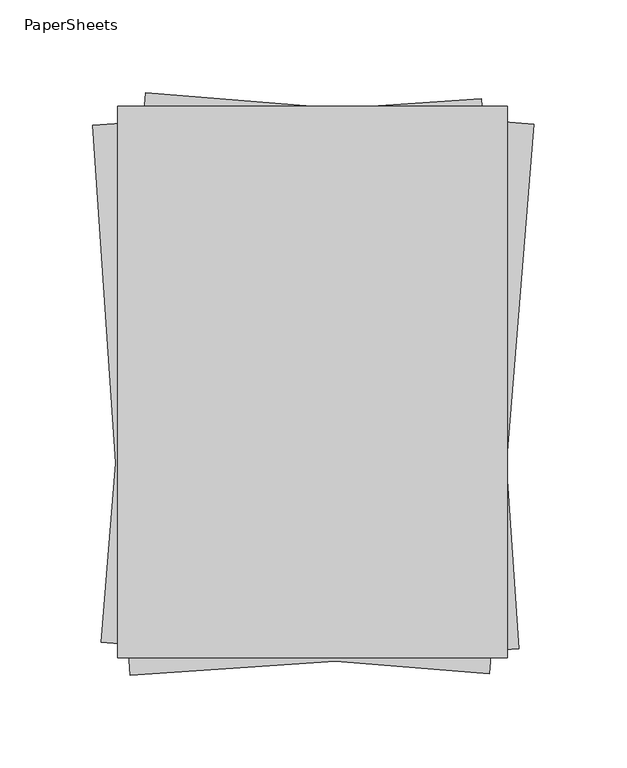
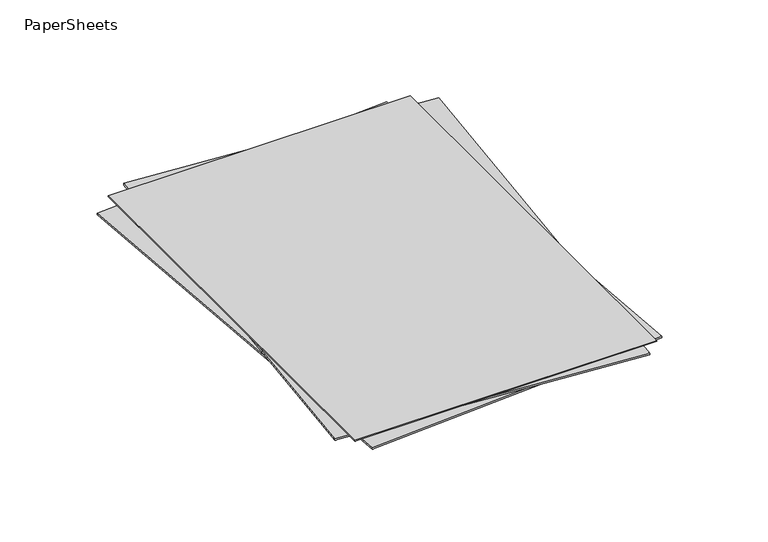
"""IFC4 building model written with IfcOpenShell, lengths in millimetres: furniture geometry, PaperSheets."""

import ifcopenshell
import ifcopenshell.guid

model = None  # the IFC model being written
_history = None  # IfcOwnerHistory: only IFC2X3 demands one
_inside = {}  # id of a spatial element -> (the spatial element, [elements in it])
_under = {}  # id of a project, library or spatial element -> (it, [spatial elements below it])
_declared = {}  # id of a project -> (the project, [libraries it declares])
_typed = {}  # id of a type object -> (the type object, [elements of that type])
_made_of = {}  # id of a material, layer set ... -> (it, [elements and type objects made of it])


def new_model(schema):
    """Start an empty IFC model of exactly this schema.

    Asked for "IFC4X3", IfcOpenShell would pick the latest addendum, in which some entities
    have other attributes; the version numbers below select the first issue.
    IFC2X3 requires an IfcOwnerHistory on every rooted entity: one is made here for all.
    """
    global model, _history
    if schema == "IFC4X3":
        model = ifcopenshell.file(schema_version=(4, 3, 0, 0))
    else:
        model = ifcopenshell.file(schema=schema)
    _inside.clear()
    _under.clear()
    _declared.clear()
    _typed.clear()
    _made_of.clear()
    _history = None
    if model.schema == "IFC2X3":
        org = make("IfcOrganization", Name="unknown")
        user = make(
            "IfcPersonAndOrganization",
            ThePerson=make("IfcPerson", FamilyName="unknown"),
            TheOrganization=org,
        )
        app = make(
            "IfcApplication",
            ApplicationDeveloper=org,
            Version="unknown",
            ApplicationFullName="unknown",
            ApplicationIdentifier="unknown",
        )
        _history = make(
            "IfcOwnerHistory",
            OwningUser=user,
            OwningApplication=app,
            ChangeAction="ADDED",
            CreationDate=0,
        )
    return model


def make(cls, **values):
    """One entity of the class cls with the attributes given. An attribute that is None is left unset."""
    return model.create_entity(
        cls, **{name: value for name, value in values.items() if value is not None}
    )


def rooted(cls, **values):
    """An entity with a GlobalId (a new one), such as an element, a storey or a relation."""
    return make(cls, GlobalId=ifcopenshell.guid.new(), OwnerHistory=_history, **values)


def si_unit(unit_type, name, prefix=None):
    """IfcSIUnit, for example si_unit("LENGTHUNIT", "METRE", prefix="MILLI")."""
    return make("IfcSIUnit", UnitType=unit_type, Prefix=prefix, Name=name)


def assignment(units):
    """IfcUnitAssignment: the units of a project."""
    return None if units is None else make("IfcUnitAssignment", Units=units)


def point(xyz):
    """IfcCartesianPoint."""
    return None if xyz is None else make("IfcCartesianPoint", Coordinates=xyz)


def direction(xyz):
    """IfcDirection."""
    return None if xyz is None else make("IfcDirection", DirectionRatios=xyz)


def frame(location, z_axis=None, x_axis=None):
    """IfcAxis2Placement3D, a coordinate frame: its origin and axes. An axis left out is left unset."""
    return make(
        "IfcAxis2Placement3D",
        Location=point(location),
        Axis=direction(z_axis),
        RefDirection=direction(x_axis),
    )


def origin():
    """The frame at (0, 0, 0) with its axes left unset."""
    return frame((0.0, 0.0, 0.0))


def place(relative_to, where):
    """IfcLocalPlacement: puts the frame where relative to a parent placement (None: the world)."""
    return make(
        "IfcLocalPlacement", PlacementRelTo=relative_to, RelativePlacement=where
    )


def context(
    kind, dimensions, precision=None, world=None, true_north=None, identifier=None
):
    """IfcGeometricRepresentationContext, for example the 3D "Model" context."""
    return make(
        "IfcGeometricRepresentationContext",
        ContextIdentifier=identifier,
        ContextType=kind,
        CoordinateSpaceDimension=dimensions,
        Precision=precision,
        WorldCoordinateSystem=world,
        TrueNorth=true_north,
    )


def project(units=None, contexts=None):
    """IfcProject with its units and contexts."""
    return rooted(
        "IfcProject",
        Name="project",
        RepresentationContexts=contexts,
        UnitsInContext=assignment(units),
    )


def spatial(cls, under=None, at=None, **own):
    """A site, building, storey or space (cls), placed at a placement, below another one or the project."""
    s = rooted(cls, ObjectPlacement=at, **own)
    if under is not None:
        _under.setdefault(under.id(), (under, []))[1].append(s)
    return s


def point_list(points):
    """IfcCartesianPointList2D or 3D."""
    cls = (
        "IfcCartesianPointList2D" if len(points[0]) == 2 else "IfcCartesianPointList3D"
    )
    return make(cls, CoordList=points)


def triangles(points, corners, closed=None, point_numbers=None):
    """IfcTriangulatedFaceSet: each triangle names its three corners, points numbered from 1."""
    return make(
        "IfcTriangulatedFaceSet",
        Coordinates=point_list(points),
        Closed=closed,
        CoordIndex=corners,
        PnIndex=point_numbers,
    )


def shape(context_of_items, identifier, shape_type, items):
    """IfcShapeRepresentation: the items that make up one representation, for example the "Body"."""
    return make(
        "IfcShapeRepresentation",
        ContextOfItems=context_of_items,
        RepresentationIdentifier=identifier,
        RepresentationType=shape_type,
        Items=items,
    )


def source(mapping_origin, context_of_items, identifier, shape_type, items):
    """IfcRepresentationMap: a shape defined once, which mapped items show again and again."""
    return make(
        "IfcRepresentationMap",
        MappingOrigin=mapping_origin,
        MappedRepresentation=shape(context_of_items, identifier, shape_type, items),
    )


def transform(
    local_origin,
    x_axis=None,
    y_axis=None,
    z_axis=None,
    scale=None,
    scale2=None,
    scale3=None,
    uniform=True,
):
    """IfcCartesianTransformationOperator3D, or its non-uniform kind. x_axis, y_axis, z_axis: its Axis1, 2, 3."""
    if uniform:
        return make(
            "IfcCartesianTransformationOperator3D",
            Axis1=direction(x_axis),
            Axis2=direction(y_axis),
            LocalOrigin=point(local_origin),
            Scale=scale,
            Axis3=direction(z_axis),
        )
    return make(
        "IfcCartesianTransformationOperator3DnonUniform",
        Axis1=direction(x_axis),
        Axis2=direction(y_axis),
        LocalOrigin=point(local_origin),
        Scale=scale,
        Axis3=direction(z_axis),
        Scale2=scale2,
        Scale3=scale3,
    )


def mapped(mapping_source, mapping_target):
    """IfcMappedItem: shows the shape of a source again, moved by a transform."""
    return make(
        "IfcMappedItem", MappingSource=mapping_source, MappingTarget=mapping_target
    )


def made_of(thing, what):
    """Note that an element or type object is made of a material, layer set ...; save() writes the relation."""
    if what is not None:
        _made_of.setdefault(what.id(), (what, []))[1].append(thing)
    return thing


def element(
    cls,
    number,
    at=None,
    inside=None,
    cuts=None,
    type_object=None,
    material=None,
    context=None,
    identifier="Body",
    shape_type=None,
    held_by="IfcProductDefinitionShape",
    body=None,
    shapes=None,
    **own,
):
    """One element of the class cls, such as IfcWall. Its Tag is "e" and its number.

    at: its placement. inside: the storey or other place that contains it. cuts: it is an
    opening in that element (IfcRelVoidsElement). A single representation is given by context,
    identifier, shape_type and body (its items); several are given by shapes. held_by: the class
    of the entity that holds the representations. save() writes the other relations.
    """
    e = rooted(cls, Tag="e%d" % number, ObjectPlacement=at, **own)
    if body is not None:
        shapes = [shape(context, identifier, shape_type, body)]
    if shapes is not None:
        e.Representation = make(held_by, Representations=shapes)
    if inside is not None:
        _inside.setdefault(inside.id(), (inside, []))[1].append(e)
    if cuts is not None:
        rooted(
            "IfcRelVoidsElement", RelatingBuildingElement=cuts, RelatedOpeningElement=e
        )
    if type_object is not None:
        _typed.setdefault(type_object.id(), (type_object, []))[1].append(e)
    return made_of(e, material)


def aggregate(whole, parts):
    """IfcRelAggregates: a whole, such as a stair, and the parts it consists of."""
    return rooted("IfcRelAggregates", RelatingObject=whole, RelatedObjects=parts)


def save(model, path):
    """Write the relations noted so far, then the file.

    IfcRelAggregates (storeys below a building ...), IfcRelContainedInSpatialStructure (elements
    in a storey), IfcRelDefinesByType, IfcRelAssociatesMaterial and IfcRelDeclares: one each for
    every whole, place, type object, material and project.
    """
    for whole, parts in _under.values():
        aggregate(whole, parts)
    for where, things in _inside.values():
        rooted(
            "IfcRelContainedInSpatialStructure",
            RelatedElements=things,
            RelatingStructure=where,
        )
    for kind, things in _typed.values():
        rooted("IfcRelDefinesByType", RelatedObjects=things, RelatingType=kind)
    for what, things in _made_of.values():
        rooted("IfcRelAssociatesMaterial", RelatedObjects=things, RelatingMaterial=what)
    for by, libraries in _declared.values():
        rooted("IfcRelDeclares", RelatingContext=by, RelatedDefinitions=libraries)
    model.write(path)


def papersheets_3e9740e9(model_context):
    return source(origin(), model_context, "Body", "Tessellation", [
        triangles([(104.5910904, -147.3895137, 3.0917359), (104.591154, 149.5854552, 3.0917359), (-105.4088367, 149.5854825, 3.0917359), (104.5910904, -147.3895137, 2.4917359), (104.591154, 149.5854552, 2.4917359), (-105.4088367, 149.5854825, 2.4917359), (-105.4088912, -147.3894864, 2.4917359), (-105.4088912, -147.3894864, 3.0917359)], [[1, 2, 3], [4, 5, 2], [3, 5, 6], [3, 2, 5], [7, 4, 1], [7, 1, 8], [8, 6, 7], [8, 3, 6], [7, 6, 4], [8, 1, 3], [4, 6, 5], [1, 4, 2]]),
        triangles([(94.9322414, -156.0839684, 2.4458678), (118.9322936, 139.9014624, 2.4458678), (-90.4123592, 156.9014876, 2.4458678), (94.9322414, -156.0839684, 1.245868), (118.9322936, 139.9014624, 1.245868), (-90.4123592, 156.9014876, 1.245868), (-114.4124023, -139.0839342, 1.245868), (-114.4124023, -139.0839342, 2.4458678), (110.8584132, -142.6279675, 1.2), (90.5584622, 153.6790644, 1.2), (-118.9212114, 139.3791015, 1.2), (110.8584132, -142.6279675, 0.0), (90.5584622, 153.6790644, 0.0), (-118.9212114, 139.3791015, 0.0), (-98.6212604, -156.9279395, 0.0), (-98.6212604, -156.9279395, 1.2)], [[1, 2, 3], [4, 5, 2], [3, 5, 6], [3, 2, 5], [7, 4, 1], [7, 1, 8], [8, 6, 7], [8, 3, 6], [7, 6, 4], [8, 1, 3], [4, 6, 5], [1, 4, 2], [9, 10, 11], [12, 13, 10], [11, 13, 14], [11, 10, 13], [15, 12, 9], [15, 9, 16], [16, 14, 15], [16, 11, 14], [15, 14, 12], [16, 9, 11], [12, 14, 13], [9, 12, 10]]),
    ])


if __name__ == "__main__":
    model = new_model("IFC4")
    model_context = context("Model", 3, world=origin())
    ifc_project = project(units=[si_unit("LENGTHUNIT", "METRE", prefix="MILLI")], contexts=[model_context])
    site = spatial("IfcSite", under=ifc_project)
    building = spatial("IfcBuilding", under=site)
    placement = place(None, origin())
    papersheets_shape = papersheets_3e9740e9(model_context)
    element("IfcFurniture", 1, ObjectType="PaperSheets", at=placement, inside=building, context=model_context, shape_type="MappedRepresentation", body=[
        mapped(papersheets_shape, transform((0.0, 0.0, 0.0), x_axis=(1.0, 0.0, 0.0), y_axis=(0.0, 1.0, 0.0), z_axis=(0.0, 0.0, 1.0))),
    ])
    save(model, "model.ifc")
